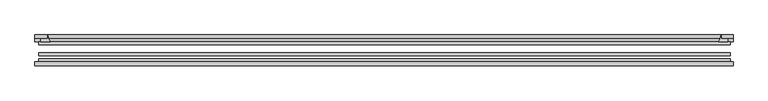
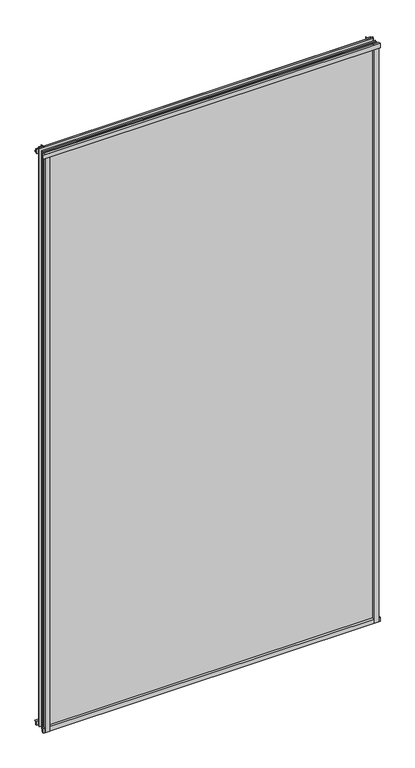
"""IFC4 building model written with IfcOpenShell, lengths in millimetres: plate geometry."""

import ifcopenshell
import ifcopenshell.guid

model = None  # the IFC model being written
_history = None  # IfcOwnerHistory: only IFC2X3 demands one
_inside = {}  # id of a spatial element -> (the spatial element, [elements in it])
_under = {}  # id of a project, library or spatial element -> (it, [spatial elements below it])
_declared = {}  # id of a project -> (the project, [libraries it declares])
_typed = {}  # id of a type object -> (the type object, [elements of that type])
_made_of = {}  # id of a material, layer set ... -> (it, [elements and type objects made of it])


def new_model(schema):
    """Start an empty IFC model of exactly this schema.

    Asked for "IFC4X3", IfcOpenShell would pick the latest addendum, in which some entities
    have other attributes; the version numbers below select the first issue.
    IFC2X3 requires an IfcOwnerHistory on every rooted entity: one is made here for all.
    """
    global model, _history
    if schema == "IFC4X3":
        model = ifcopenshell.file(schema_version=(4, 3, 0, 0))
    else:
        model = ifcopenshell.file(schema=schema)
    _inside.clear()
    _under.clear()
    _declared.clear()
    _typed.clear()
    _made_of.clear()
    _history = None
    if model.schema == "IFC2X3":
        org = make("IfcOrganization", Name="unknown")
        user = make(
            "IfcPersonAndOrganization",
            ThePerson=make("IfcPerson", FamilyName="unknown"),
            TheOrganization=org,
        )
        app = make(
            "IfcApplication",
            ApplicationDeveloper=org,
            Version="unknown",
            ApplicationFullName="unknown",
            ApplicationIdentifier="unknown",
        )
        _history = make(
            "IfcOwnerHistory",
            OwningUser=user,
            OwningApplication=app,
            ChangeAction="ADDED",
            CreationDate=0,
        )
    return model


def make(cls, **values):
    """One entity of the class cls with the attributes given. An attribute that is None is left unset."""
    return model.create_entity(
        cls, **{name: value for name, value in values.items() if value is not None}
    )


def rooted(cls, **values):
    """An entity with a GlobalId (a new one), such as an element, a storey or a relation."""
    return make(cls, GlobalId=ifcopenshell.guid.new(), OwnerHistory=_history, **values)


def si_unit(unit_type, name, prefix=None):
    """IfcSIUnit, for example si_unit("LENGTHUNIT", "METRE", prefix="MILLI")."""
    return make("IfcSIUnit", UnitType=unit_type, Prefix=prefix, Name=name)


def assignment(units):
    """IfcUnitAssignment: the units of a project."""
    return None if units is None else make("IfcUnitAssignment", Units=units)


def point(xyz):
    """IfcCartesianPoint."""
    return None if xyz is None else make("IfcCartesianPoint", Coordinates=xyz)


def direction(xyz):
    """IfcDirection."""
    return None if xyz is None else make("IfcDirection", DirectionRatios=xyz)


def frame(location, z_axis=None, x_axis=None):
    """IfcAxis2Placement3D, a coordinate frame: its origin and axes. An axis left out is left unset."""
    return make(
        "IfcAxis2Placement3D",
        Location=point(location),
        Axis=direction(z_axis),
        RefDirection=direction(x_axis),
    )


def frame_2d(location, x_axis=None):
    """IfcAxis2Placement2D, a coordinate frame in the plane: its origin and x axis."""
    return make(
        "IfcAxis2Placement2D", Location=point(location), RefDirection=direction(x_axis)
    )


def origin():
    """The frame at (0, 0, 0) with its axes left unset."""
    return frame((0.0, 0.0, 0.0))


def place(relative_to, where):
    """IfcLocalPlacement: puts the frame where relative to a parent placement (None: the world)."""
    return make(
        "IfcLocalPlacement", PlacementRelTo=relative_to, RelativePlacement=where
    )


def context(
    kind, dimensions, precision=None, world=None, true_north=None, identifier=None
):
    """IfcGeometricRepresentationContext, for example the 3D "Model" context."""
    return make(
        "IfcGeometricRepresentationContext",
        ContextIdentifier=identifier,
        ContextType=kind,
        CoordinateSpaceDimension=dimensions,
        Precision=precision,
        WorldCoordinateSystem=world,
        TrueNorth=true_north,
    )


def project(units=None, contexts=None):
    """IfcProject with its units and contexts."""
    return rooted(
        "IfcProject",
        Name="project",
        RepresentationContexts=contexts,
        UnitsInContext=assignment(units),
    )


def spatial(cls, under=None, at=None, **own):
    """A site, building, storey or space (cls), placed at a placement, below another one or the project."""
    s = rooted(cls, ObjectPlacement=at, **own)
    if under is not None:
        _under.setdefault(under.id(), (under, []))[1].append(s)
    return s


def polyline(points):
    """IfcPolyline through the points."""
    return make("IfcPolyline", Points=[point(p) for p in points])


def circle_curve(where, radius):
    """IfcCircle in the frame where."""
    return make("IfcCircle", Position=where, Radius=radius)


def trimmed(basis, trim1, trim2, sense, master):
    """IfcTrimmedCurve: the piece of a basis curve between two trims."""
    return make(
        "IfcTrimmedCurve",
        BasisCurve=basis,
        Trim1=trim1,
        Trim2=trim2,
        SenseAgreement=sense,
        MasterRepresentation=master,
    )


def segment(curve, same_sense, transition):
    """IfcCompositeCurveSegment."""
    return make(
        "IfcCompositeCurveSegment",
        Transition=transition,
        SameSense=same_sense,
        ParentCurve=curve,
    )


def composite_curve(segments, self_intersect=None):
    """IfcCompositeCurve: segments joined end to end."""
    return make("IfcCompositeCurve", Segments=segments, SelfIntersect=self_intersect)


def outline(outer, holes=None, kind="AREA"):
    """IfcArbitraryClosedProfileDef: a profile drawn as a closed curve; with holes, ...WithVoids."""
    if holes is None:
        return make("IfcArbitraryClosedProfileDef", ProfileType=kind, OuterCurve=outer)
    return make(
        "IfcArbitraryProfileDefWithVoids",
        ProfileType=kind,
        OuterCurve=outer,
        InnerCurves=holes,
    )


def extrude(swept, where, along, depth):
    """IfcExtrudedAreaSolid: the profile swept, set in the frame where, extruded along a direction by depth."""
    return make(
        "IfcExtrudedAreaSolid",
        SweptArea=swept,
        Position=where,
        ExtrudedDirection=direction(along),
        Depth=depth,
    )


def shape(context_of_items, identifier, shape_type, items):
    """IfcShapeRepresentation: the items that make up one representation, for example the "Body"."""
    return make(
        "IfcShapeRepresentation",
        ContextOfItems=context_of_items,
        RepresentationIdentifier=identifier,
        RepresentationType=shape_type,
        Items=items,
    )


def source(mapping_origin, context_of_items, identifier, shape_type, items):
    """IfcRepresentationMap: a shape defined once, which mapped items show again and again."""
    return make(
        "IfcRepresentationMap",
        MappingOrigin=mapping_origin,
        MappedRepresentation=shape(context_of_items, identifier, shape_type, items),
    )


def transform(
    local_origin,
    x_axis=None,
    y_axis=None,
    z_axis=None,
    scale=None,
    scale2=None,
    scale3=None,
    uniform=True,
):
    """IfcCartesianTransformationOperator3D, or its non-uniform kind. x_axis, y_axis, z_axis: its Axis1, 2, 3."""
    if uniform:
        return make(
            "IfcCartesianTransformationOperator3D",
            Axis1=direction(x_axis),
            Axis2=direction(y_axis),
            LocalOrigin=point(local_origin),
            Scale=scale,
            Axis3=direction(z_axis),
        )
    return make(
        "IfcCartesianTransformationOperator3DnonUniform",
        Axis1=direction(x_axis),
        Axis2=direction(y_axis),
        LocalOrigin=point(local_origin),
        Scale=scale,
        Axis3=direction(z_axis),
        Scale2=scale2,
        Scale3=scale3,
    )


def mapped(mapping_source, mapping_target):
    """IfcMappedItem: shows the shape of a source again, moved by a transform."""
    return make(
        "IfcMappedItem", MappingSource=mapping_source, MappingTarget=mapping_target
    )


def made_of(thing, what):
    """Note that an element or type object is made of a material, layer set ...; save() writes the relation."""
    if what is not None:
        _made_of.setdefault(what.id(), (what, []))[1].append(thing)
    return thing


def element(
    cls,
    number,
    at=None,
    inside=None,
    cuts=None,
    type_object=None,
    material=None,
    context=None,
    identifier="Body",
    shape_type=None,
    held_by="IfcProductDefinitionShape",
    body=None,
    shapes=None,
    **own,
):
    """One element of the class cls, such as IfcWall. Its Tag is "e" and its number.

    at: its placement. inside: the storey or other place that contains it. cuts: it is an
    opening in that element (IfcRelVoidsElement). A single representation is given by context,
    identifier, shape_type and body (its items); several are given by shapes. held_by: the class
    of the entity that holds the representations. save() writes the other relations.
    """
    e = rooted(cls, Tag="e%d" % number, ObjectPlacement=at, **own)
    if body is not None:
        shapes = [shape(context, identifier, shape_type, body)]
    if shapes is not None:
        e.Representation = make(held_by, Representations=shapes)
    if inside is not None:
        _inside.setdefault(inside.id(), (inside, []))[1].append(e)
    if cuts is not None:
        rooted(
            "IfcRelVoidsElement", RelatingBuildingElement=cuts, RelatedOpeningElement=e
        )
    if type_object is not None:
        _typed.setdefault(type_object.id(), (type_object, []))[1].append(e)
    return made_of(e, material)


def aggregate(whole, parts):
    """IfcRelAggregates: a whole, such as a stair, and the parts it consists of."""
    return rooted("IfcRelAggregates", RelatingObject=whole, RelatedObjects=parts)


def save(model, path):
    """Write the relations noted so far, then the file.

    IfcRelAggregates (storeys below a building ...), IfcRelContainedInSpatialStructure (elements
    in a storey), IfcRelDefinesByType, IfcRelAssociatesMaterial and IfcRelDeclares: one each for
    every whole, place, type object, material and project.
    """
    for whole, parts in _under.values():
        aggregate(whole, parts)
    for where, things in _inside.values():
        rooted(
            "IfcRelContainedInSpatialStructure",
            RelatedElements=things,
            RelatingStructure=where,
        )
    for kind, things in _typed.values():
        rooted("IfcRelDefinesByType", RelatedObjects=things, RelatingType=kind)
    for what, things in _made_of.values():
        rooted("IfcRelAssociatesMaterial", RelatedObjects=things, RelatingMaterial=what)
    for by, libraries in _declared.values():
        rooted("IfcRelDeclares", RelatingContext=by, RelatedDefinitions=libraries)
    model.write(path)


def plate_d08d7bdd(model_context):
    return source(origin(), model_context, "Body", "SweptSolid", [
        extrude(outline(composite_curve([segment(polyline([(-85.1328625, 1995.5063002), (-78.7828625, 1995.5063002), (-78.7828625, 1979.2561909)]), True, "CONTINUOUS"), segment(trimmed(circle_curve(frame_2d((-85.0581856, 1970.2064356)), 11.0126179), [point((-78.7828625, 1979.2561909))], [point((-85.1328625, 1981.2188002))], True, "CARTESIAN"), True, "CONTINUOUS"), segment(polyline([(-85.1328625, 1981.2188002), (-85.1328625, 1995.5063002)]), True, "CONTINUOUS")], self_intersect=False)), frame((-554.8312731, 0.0, 0.0), z_axis=(1.0, 0.0, 0.0), x_axis=(0.0, 1.0, 0.0)), (0.0, 0.0, 1.0), 1108.4719212),
        extrude(outline(composite_curve([segment(polyline([(-549.0765856, -78.7828625), (-532.21537, -78.7828625)]), True, "CONTINUOUS"), segment(trimmed(circle_curve(frame_2d((-521.6529665, -86.7604812)), 13.2365693), [point((-532.21537, -78.7828625))], [point((-534.7890856, -85.1328625))], True, "CARTESIAN"), True, "CONTINUOUS"), segment(polyline([(-534.7890856, -85.1328625), (-549.0765856, -85.1328625), (-549.0765856, -78.7828625)]), True, "CONTINUOUS")], self_intersect=False)), frame((0.0, 0.0, -14.2875), z_axis=(0.0, 0.0, 1.0), x_axis=(1.0, 0.0, 0.0)), (0.0, 0.0, 1.0), 2009.775),
        extrude(outline(composite_curve([segment(polyline([(549.0765856, -78.7828625), (549.0765856, -85.1328625), (534.7890856, -85.1328625)]), True, "CONTINUOUS"), segment(trimmed(circle_curve(frame_2d((521.6529665, -86.7604812)), 13.2365693), [point((534.7890856, -85.1328625))], [point((532.21537, -78.7828625))], True, "CARTESIAN"), True, "CONTINUOUS"), segment(polyline([(532.21537, -78.7828625), (549.0765856, -78.7828625)]), True, "CONTINUOUS")], self_intersect=False)), frame((0.0, 0.0, -14.2875), z_axis=(0.0, 0.0, 1.0), x_axis=(1.0, 0.0, 0.0)), (0.0, 0.0, 1.0), 2009.775),
        extrude(outline(composite_curve([segment(polyline([(-47.1852625, -10.4712201), (-47.1852625, 3.9588469)]), True, "CONTINUOUS"), segment(trimmed(circle_curve(frame_2d((-30.6824422, 32.267054)), 32.7673262), [point((-47.1852625, 3.9588469))], [point((-36.3503395, -0.00635))], True, "CARTESIAN"), True, "CONTINUOUS"), segment(polyline([(-36.3503395, -0.00635), (-42.2830625, -0.00635), (-42.2830625, -10.4712201), (-47.1852625, -10.4712201)]), True, "CONTINUOUS")], self_intersect=False)), frame((-554.8312731, 0.0, 0.0), z_axis=(1.0, 0.0, 0.0), x_axis=(0.0, 1.0, 0.0)), (0.0, 0.0, 1.0), 1108.4719212),
        extrude(outline(composite_curve([segment(polyline([(-78.7828625, -14.2875), (-85.1328625, -14.2875), (-85.1328625, -0.0127)]), True, "CONTINUOUS"), segment(trimmed(circle_curve(frame_2d((-86.7604812, 13.1234191)), 13.2365693), [point((-85.1328625, -0.0127))], [point((-78.7828625, 2.5610156))], True, "CARTESIAN"), True, "CONTINUOUS"), segment(polyline([(-78.7828625, 2.5610156), (-78.7828625, -14.2875)]), True, "CONTINUOUS")], self_intersect=False)), frame((-554.8312731, 0.0, 0.0), z_axis=(1.0, 0.0, 0.0), x_axis=(0.0, 1.0, 0.0)), (0.0, 0.0, 1.0), 1108.4719212),
        extrude(outline(composite_curve([segment(polyline([(-47.1852625, 1977.2284531), (-47.1852625, 1991.9002564), (-42.2830625, 1991.9002564), (-42.2830625, 1981.2), (-36.3140625, 1981.2)]), True, "CONTINUOUS"), segment(trimmed(circle_curve(frame_2d((-30.6824422, 1948.920246)), 32.7673262), [point((-36.3140625, 1981.2))], [point((-47.1852625, 1977.2284531))], True, "CARTESIAN"), True, "CONTINUOUS")], self_intersect=False)), frame((-554.8312731, 0.0, 0.0), z_axis=(1.0, 0.0, 0.0), x_axis=(0.0, 1.0, 0.0)), (0.0, 0.0, 1.0), 1108.4719212),
        extrude(outline(composite_curve([segment(trimmed(circle_curve(frame_2d((502.5093316, -30.6824422)), 32.7673262), [point((530.8175387, -47.1852625))], [point((534.7890856, -36.3140625))], True, "CARTESIAN"), True, "CONTINUOUS"), segment(polyline([(534.7890856, -36.3140625), (534.7890856, -42.2830625), (545.4894509, -42.2830625), (545.4894509, -47.1852625), (530.8175387, -47.1852625)]), True, "CONTINUOUS")], self_intersect=False)), frame((0.0, 0.0, -14.2875), z_axis=(0.0, 0.0, 1.0), x_axis=(1.0, 0.0, 0.0)), (0.0, 0.0, 1.0), 2009.775),
        extrude(outline(composite_curve([segment(polyline([(-530.8175387, -47.1852625), (-545.4842948, -47.1852625), (-545.4842948, -42.2830625), (-534.7890856, -42.2830625), (-534.7890856, -36.3140625)]), True, "CONTINUOUS"), segment(trimmed(circle_curve(frame_2d((-502.5093316, -30.6824422)), 32.7673262), [point((-534.7890856, -36.3140625))], [point((-530.8175387, -47.1852625))], True, "CARTESIAN"), True, "CONTINUOUS")], self_intersect=False)), frame((0.0, 0.0, -14.2875), z_axis=(0.0, 0.0, 1.0), x_axis=(1.0, 0.0, 0.0)), (0.0, 0.0, 1.0), 2009.775),
        extrude(outline(polyline([(549.0765856, -64.6604625), (549.0765856, -69.4356625), (-549.0765856, -69.4356625), (-549.0765856, -64.6604625), (549.0765856, -64.6604625)])), frame((0.0, 0.0, -14.2875), z_axis=(0.0, 0.0, 1.0), x_axis=(1.0, 0.0, 0.0)), (0.0, 0.0, 1.0), 2009.775),
        extrude(outline(polyline([(-549.0765856, -78.7828625), (-549.0765856, -74.0076625), (549.0765856, -74.0076625), (549.0765856, -78.7828625), (-549.0765856, -78.7828625)])), frame((0.0, 0.0, -14.2875), z_axis=(0.0, 0.0, 1.0), x_axis=(1.0, 0.0, 0.0)), (0.0, 0.0, 1.0), 2009.775),
        extrude(outline(polyline([(-549.0765856, -47.1852625), (549.0765856, -47.1852625), (549.0765856, -51.9604625), (-549.0765856, -51.9604625), (-549.0765856, -47.1852625)])), frame((0.0, 0.0, -14.2875), z_axis=(0.0, 0.0, 1.0), x_axis=(1.0, 0.0, 0.0)), (0.0, 0.0, 1.0), 2009.775),
    ])


if __name__ == "__main__":
    model = new_model("IFC4")
    model_context = context("Model", 3, world=origin())
    ifc_project = project(units=[si_unit("LENGTHUNIT", "METRE", prefix="MILLI")], contexts=[model_context])
    site = spatial("IfcSite", under=ifc_project)
    building = spatial("IfcBuilding", under=site)
    placement = place(None, origin())
    plate_shape = plate_d08d7bdd(model_context)
    element("IfcPlate", 1, at=placement, inside=building, context=model_context, shape_type="MappedRepresentation", body=[
        mapped(plate_shape, transform((0.0, 0.0, 0.0), x_axis=(1.0, 0.0, 0.0), y_axis=(0.0, 1.0, 0.0), z_axis=(0.0, 0.0, 1.0))),
    ])
    save(model, "model.ifc")
